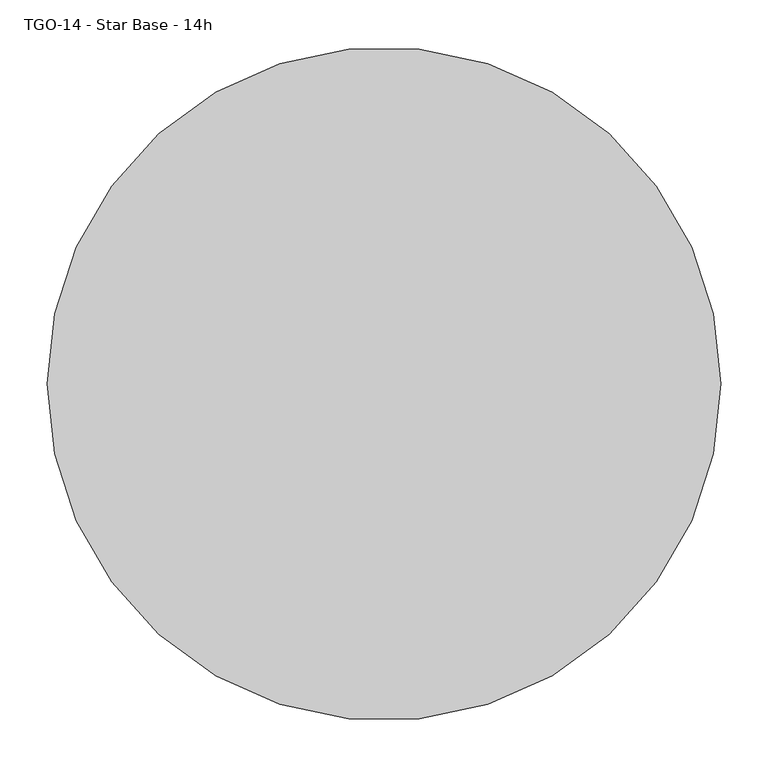
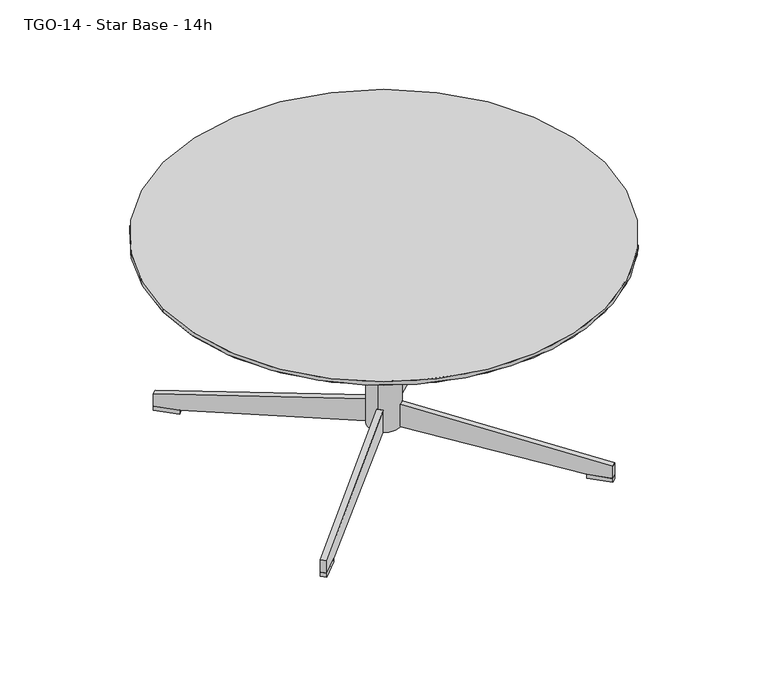
"""IFC4 building model written with IfcOpenShell, lengths in millimetres: furniture geometry, TGO-14 - Star Base - 14h."""

import ifcopenshell
import ifcopenshell.guid

model = None  # the IFC model being written
_history = None  # IfcOwnerHistory: only IFC2X3 demands one
_inside = {}  # id of a spatial element -> (the spatial element, [elements in it])
_under = {}  # id of a project, library or spatial element -> (it, [spatial elements below it])
_declared = {}  # id of a project -> (the project, [libraries it declares])
_typed = {}  # id of a type object -> (the type object, [elements of that type])
_made_of = {}  # id of a material, layer set ... -> (it, [elements and type objects made of it])


def new_model(schema):
    """Start an empty IFC model of exactly this schema.

    Asked for "IFC4X3", IfcOpenShell would pick the latest addendum, in which some entities
    have other attributes; the version numbers below select the first issue.
    IFC2X3 requires an IfcOwnerHistory on every rooted entity: one is made here for all.
    """
    global model, _history
    if schema == "IFC4X3":
        model = ifcopenshell.file(schema_version=(4, 3, 0, 0))
    else:
        model = ifcopenshell.file(schema=schema)
    _inside.clear()
    _under.clear()
    _declared.clear()
    _typed.clear()
    _made_of.clear()
    _history = None
    if model.schema == "IFC2X3":
        org = make("IfcOrganization", Name="unknown")
        user = make(
            "IfcPersonAndOrganization",
            ThePerson=make("IfcPerson", FamilyName="unknown"),
            TheOrganization=org,
        )
        app = make(
            "IfcApplication",
            ApplicationDeveloper=org,
            Version="unknown",
            ApplicationFullName="unknown",
            ApplicationIdentifier="unknown",
        )
        _history = make(
            "IfcOwnerHistory",
            OwningUser=user,
            OwningApplication=app,
            ChangeAction="ADDED",
            CreationDate=0,
        )
    return model


def make(cls, **values):
    """One entity of the class cls with the attributes given. An attribute that is None is left unset."""
    return model.create_entity(
        cls, **{name: value for name, value in values.items() if value is not None}
    )


def rooted(cls, **values):
    """An entity with a GlobalId (a new one), such as an element, a storey or a relation."""
    return make(cls, GlobalId=ifcopenshell.guid.new(), OwnerHistory=_history, **values)


def si_unit(unit_type, name, prefix=None):
    """IfcSIUnit, for example si_unit("LENGTHUNIT", "METRE", prefix="MILLI")."""
    return make("IfcSIUnit", UnitType=unit_type, Prefix=prefix, Name=name)


def assignment(units):
    """IfcUnitAssignment: the units of a project."""
    return None if units is None else make("IfcUnitAssignment", Units=units)


def point(xyz):
    """IfcCartesianPoint."""
    return None if xyz is None else make("IfcCartesianPoint", Coordinates=xyz)


def direction(xyz):
    """IfcDirection."""
    return None if xyz is None else make("IfcDirection", DirectionRatios=xyz)


def frame(location, z_axis=None, x_axis=None):
    """IfcAxis2Placement3D, a coordinate frame: its origin and axes. An axis left out is left unset."""
    return make(
        "IfcAxis2Placement3D",
        Location=point(location),
        Axis=direction(z_axis),
        RefDirection=direction(x_axis),
    )


def frame_2d(location, x_axis=None):
    """IfcAxis2Placement2D, a coordinate frame in the plane: its origin and x axis."""
    return make(
        "IfcAxis2Placement2D", Location=point(location), RefDirection=direction(x_axis)
    )


def origin():
    """The frame at (0, 0, 0) with its axes left unset."""
    return frame((0.0, 0.0, 0.0))


def origin_with_axes():
    """The frame at (0, 0, 0) with the z axis (0, 0, 1) and the x axis (1, 0, 0) written out."""
    return frame((0.0, 0.0, 0.0), z_axis=(0.0, 0.0, 1.0), x_axis=(1.0, 0.0, 0.0))


def origin_2d():
    """The frame at (0, 0) in the plane with its x axis left unset."""
    return frame_2d((0.0, 0.0))


def place(relative_to, where):
    """IfcLocalPlacement: puts the frame where relative to a parent placement (None: the world)."""
    return make(
        "IfcLocalPlacement", PlacementRelTo=relative_to, RelativePlacement=where
    )


def context(
    kind, dimensions, precision=None, world=None, true_north=None, identifier=None
):
    """IfcGeometricRepresentationContext, for example the 3D "Model" context."""
    return make(
        "IfcGeometricRepresentationContext",
        ContextIdentifier=identifier,
        ContextType=kind,
        CoordinateSpaceDimension=dimensions,
        Precision=precision,
        WorldCoordinateSystem=world,
        TrueNorth=true_north,
    )


def project(units=None, contexts=None):
    """IfcProject with its units and contexts."""
    return rooted(
        "IfcProject",
        Name="project",
        RepresentationContexts=contexts,
        UnitsInContext=assignment(units),
    )


def spatial(cls, under=None, at=None, **own):
    """A site, building, storey or space (cls), placed at a placement, below another one or the project."""
    s = rooted(cls, ObjectPlacement=at, **own)
    if under is not None:
        _under.setdefault(under.id(), (under, []))[1].append(s)
    return s


def polyline(points):
    """IfcPolyline through the points."""
    return make("IfcPolyline", Points=[point(p) for p in points])


def circle_curve(where, radius):
    """IfcCircle in the frame where."""
    return make("IfcCircle", Position=where, Radius=radius)


def trimmed(basis, trim1, trim2, sense, master):
    """IfcTrimmedCurve: the piece of a basis curve between two trims."""
    return make(
        "IfcTrimmedCurve",
        BasisCurve=basis,
        Trim1=trim1,
        Trim2=trim2,
        SenseAgreement=sense,
        MasterRepresentation=master,
    )


def segment(curve, same_sense, transition):
    """IfcCompositeCurveSegment."""
    return make(
        "IfcCompositeCurveSegment",
        Transition=transition,
        SameSense=same_sense,
        ParentCurve=curve,
    )


def composite_curve(segments, self_intersect=None):
    """IfcCompositeCurve: segments joined end to end."""
    return make("IfcCompositeCurve", Segments=segments, SelfIntersect=self_intersect)


def outline(outer, holes=None, kind="AREA"):
    """IfcArbitraryClosedProfileDef: a profile drawn as a closed curve; with holes, ...WithVoids."""
    if holes is None:
        return make("IfcArbitraryClosedProfileDef", ProfileType=kind, OuterCurve=outer)
    return make(
        "IfcArbitraryProfileDefWithVoids",
        ProfileType=kind,
        OuterCurve=outer,
        InnerCurves=holes,
    )


def extrude(swept, where, along, depth):
    """IfcExtrudedAreaSolid: the profile swept, set in the frame where, extruded along a direction by depth."""
    return make(
        "IfcExtrudedAreaSolid",
        SweptArea=swept,
        Position=where,
        ExtrudedDirection=direction(along),
        Depth=depth,
    )


def shape(context_of_items, identifier, shape_type, items):
    """IfcShapeRepresentation: the items that make up one representation, for example the "Body"."""
    return make(
        "IfcShapeRepresentation",
        ContextOfItems=context_of_items,
        RepresentationIdentifier=identifier,
        RepresentationType=shape_type,
        Items=items,
    )


def source(mapping_origin, context_of_items, identifier, shape_type, items):
    """IfcRepresentationMap: a shape defined once, which mapped items show again and again."""
    return make(
        "IfcRepresentationMap",
        MappingOrigin=mapping_origin,
        MappedRepresentation=shape(context_of_items, identifier, shape_type, items),
    )


def transform(
    local_origin,
    x_axis=None,
    y_axis=None,
    z_axis=None,
    scale=None,
    scale2=None,
    scale3=None,
    uniform=True,
):
    """IfcCartesianTransformationOperator3D, or its non-uniform kind. x_axis, y_axis, z_axis: its Axis1, 2, 3."""
    if uniform:
        return make(
            "IfcCartesianTransformationOperator3D",
            Axis1=direction(x_axis),
            Axis2=direction(y_axis),
            LocalOrigin=point(local_origin),
            Scale=scale,
            Axis3=direction(z_axis),
        )
    return make(
        "IfcCartesianTransformationOperator3DnonUniform",
        Axis1=direction(x_axis),
        Axis2=direction(y_axis),
        LocalOrigin=point(local_origin),
        Scale=scale,
        Axis3=direction(z_axis),
        Scale2=scale2,
        Scale3=scale3,
    )


def mapped(mapping_source, mapping_target):
    """IfcMappedItem: shows the shape of a source again, moved by a transform."""
    return make(
        "IfcMappedItem", MappingSource=mapping_source, MappingTarget=mapping_target
    )


def made_of(thing, what):
    """Note that an element or type object is made of a material, layer set ...; save() writes the relation."""
    if what is not None:
        _made_of.setdefault(what.id(), (what, []))[1].append(thing)
    return thing


def element(
    cls,
    number,
    at=None,
    inside=None,
    cuts=None,
    type_object=None,
    material=None,
    context=None,
    identifier="Body",
    shape_type=None,
    held_by="IfcProductDefinitionShape",
    body=None,
    shapes=None,
    **own,
):
    """One element of the class cls, such as IfcWall. Its Tag is "e" and its number.

    at: its placement. inside: the storey or other place that contains it. cuts: it is an
    opening in that element (IfcRelVoidsElement). A single representation is given by context,
    identifier, shape_type and body (its items); several are given by shapes. held_by: the class
    of the entity that holds the representations. save() writes the other relations.
    """
    e = rooted(cls, Tag="e%d" % number, ObjectPlacement=at, **own)
    if body is not None:
        shapes = [shape(context, identifier, shape_type, body)]
    if shapes is not None:
        e.Representation = make(held_by, Representations=shapes)
    if inside is not None:
        _inside.setdefault(inside.id(), (inside, []))[1].append(e)
    if cuts is not None:
        rooted(
            "IfcRelVoidsElement", RelatingBuildingElement=cuts, RelatedOpeningElement=e
        )
    if type_object is not None:
        _typed.setdefault(type_object.id(), (type_object, []))[1].append(e)
    return made_of(e, material)


def aggregate(whole, parts):
    """IfcRelAggregates: a whole, such as a stair, and the parts it consists of."""
    return rooted("IfcRelAggregates", RelatingObject=whole, RelatedObjects=parts)


def save(model, path):
    """Write the relations noted so far, then the file.

    IfcRelAggregates (storeys below a building ...), IfcRelContainedInSpatialStructure (elements
    in a storey), IfcRelDefinesByType, IfcRelAssociatesMaterial and IfcRelDeclares: one each for
    every whole, place, type object, material and project.
    """
    for whole, parts in _under.values():
        aggregate(whole, parts)
    for where, things in _inside.values():
        rooted(
            "IfcRelContainedInSpatialStructure",
            RelatedElements=things,
            RelatingStructure=where,
        )
    for kind, things in _typed.values():
        rooted("IfcRelDefinesByType", RelatedObjects=things, RelatingType=kind)
    for what, things in _made_of.values():
        rooted("IfcRelAssociatesMaterial", RelatedObjects=things, RelatingMaterial=what)
    for by, libraries in _declared.values():
        rooted("IfcRelDeclares", RelatingContext=by, RelatedDefinitions=libraries)
    model.write(path)


def plane_surface(at):
    """IfcPlane: the flat surface through the origin of the frame at, square to its z axis."""
    return make("IfcPlane", Position=at)


def revolved_surface(curve, axis_point, axis_direction):
    """IfcSurfaceOfRevolution: the curve turned about the line through axis_point along axis_direction."""
    return make(
        "IfcSurfaceOfRevolution",
        SweptCurve=make("IfcArbitraryOpenProfileDef", ProfileType="CURVE", Curve=curve),
        AxisPosition=make("IfcAxis1Placement", Location=point(axis_point), Axis=direction(axis_direction)),
    )


def advanced_brep(points, edges, surfaces, faces):
    """IfcAdvancedBrep: a solid bounded by faces that lie on surfaces and meet in shared edges.

    An edge is (start, end): straight between two places in points (the first is 0);
    or (start, end, curve); or (start, end, curve, False) where it runs against its curve.
    A face is (place in surfaces, loops), or (place, loops, False) where it looks against
    its surface's normal. A loop lists edges by number (the first is 1), with a minus sign
    where the edge is run from its end to its start. The first loop is the outer one.
    """
    corners = [point(p) for p in points]
    vertices = [make("IfcVertexPoint", VertexGeometry=c) for c in corners]
    made = []
    for start, end, *more in edges:
        made.append(
            make(
                "IfcEdgeCurve",
                EdgeStart=vertices[start],
                EdgeEnd=vertices[end],
                EdgeGeometry=more[0] if more else make("IfcPolyline", Points=[corners[start], corners[end]]),
                SameSense=more[1] if len(more) > 1 else True,
            )
        )
    hull = []
    for where, loops, *sense in faces:
        bounds = []
        for j, loop in enumerate(loops):
            ring = [make("IfcOrientedEdge", EdgeElement=made[abs(k) - 1], Orientation=k > 0) for k in loop]
            bounds.append(
                make(
                    "IfcFaceOuterBound" if j == 0 else "IfcFaceBound",
                    Bound=make("IfcEdgeLoop", EdgeList=ring),
                    Orientation=True,
                )
            )
        hull.append(make("IfcAdvancedFace", Bounds=bounds, FaceSurface=surfaces[where], SameSense=sense[0] if sense else True))
    return make("IfcAdvancedBrep", Outer=make("IfcClosedShell", CfsFaces=hull))


def tgo_14_star_base_14h_f237e9fe(model_context):
    return source(origin(), model_context, "Body", "SolidModel", [
        advanced_brep(
        [(-355.599986, 0.0, 349.25), (355.599986, 0.0, 349.25), (-317.499986, 0.0, 336.55), (317.499986, 0.0, 336.55)],
        [
            (0, 1, circle_curve(frame((0.0, 0.0, 349.25), z_axis=(0.0, 0.0, 1.0), x_axis=(-1.0, 0.0, 0.0)), 355.599986)),
            (1, 0, circle_curve(frame((0.0, 0.0, 349.25), z_axis=(0.0, 0.0, 1.0), x_axis=(1.0, 0.0, 0.0)), 355.599986)),
            (2, 3, circle_curve(frame((0.0, 0.0, 336.55), z_axis=(0.0, 0.0, -1.0), x_axis=(1.0, 0.0, 0.0)), 317.499986)),
            (3, 2, circle_curve(frame((0.0, 0.0, 336.55), z_axis=(0.0, 0.0, -1.0), x_axis=(-1.0, 0.0, 0.0)), 317.499986)),
            (3, 1),
            (0, 2),
        ],
        [
            plane_surface(frame((0.0, 0.0, 349.25), z_axis=(0.0, 0.0, 1.0), x_axis=(0.0, -1.0, 0.0))),
            plane_surface(frame((0.0, 0.0, 336.55), z_axis=(0.0, 0.0, -1.0), x_axis=(0.0, -1.0, 0.0))),
            revolved_surface(polyline([(317.49998601071434, 0.0, 336.55), (355.599986, 0.0, 349.25)]), (0.0, 0.0, 230.7166713), (0.0, 0.0, 1.0)),
            revolved_surface(polyline([(-317.49998601071434, 0.0, 336.55), (-355.599986, 0.0, 349.25)]), (0.0, 0.0, 230.7166713), (0.0, 0.0, 1.0)),
        ],
        [
            (0, [[1, 2]]),
            (1, [[3, 4]]),
            (2, [[-4, 5, -1, 6]]),
            (3, [[-3, -6, -2, -5]]),
        ],
    ),
        extrude(outline(composite_curve([segment(trimmed(circle_curve(origin_2d(), 355.599986), [point((-355.599986, 0.0))], [point((355.599986, 0.0))], False, "CARTESIAN"), True, "CONTINUOUS"), segment(trimmed(circle_curve(origin_2d(), 355.599986), [point((355.599986, 0.0))], [point((-355.599986, 0.0))], False, "CARTESIAN"), True, "CONTINUOUS")], self_intersect=False)), frame((0.0, 0.0, 349.25), z_axis=(0.0, 0.0, 1.0), x_axis=(1.0, 0.0, 0.0)), (0.0, 0.0, 1.0), 6.35),
        extrude(outline(polyline([(210.2139553, -206.0355246), (237.0440442, -233.0865195), (230.3720636, -239.704015), (203.5419746, -212.6530201), (210.2139553, -206.0355246)])), origin_with_axes(), (0.0, 0.0, 1.0), 6.343172),
        extrude(outline(polyline([(38.1, 0.0), (38.1, -6.433949), (69.6540333, -275.4090291), (69.6540333, -313.5090291), (48.6517885, -313.5090291), (-0.0046782, -6.1869692), (-0.0046782, 0.0), (38.1, 0.0)])), frame((9.5984379, -17.112646, 75.9972053), z_axis=(0.7099998669765681, 0.7042018097770382, 0.0), x_axis=(0.0, 0.0, -1.0)), (0.0, 0.0, 1.0), 9.3971577),
        extrude(outline(polyline([(237.0440442, 233.0865195), (210.2139553, 206.0355246), (203.5419746, 212.6530201), (230.3720636, 239.704015), (237.0440442, 233.0865195)])), origin_with_axes(), (0.0, 0.0, 1.0), 6.343172),
        extrude(outline(polyline([(0.0, 0.0), (6.433949, 0.0), (275.4090291, 31.5540333), (313.509029, 31.5540333), (313.509029, 10.5517885), (6.1869691, -38.1046782), (0.0, -38.1046782), (0.0, 0.0)])), frame((16.2704186, 10.4951506, 37.8972053), z_axis=(-0.7099998669765681, 0.7042018097770381, 0.0), x_axis=(0.7042018097770381, 0.7099998669765681, 0.0)), (0.0, 0.0, 1.0), 9.3971577),
        extrude(outline(polyline([(-210.2139553, 206.0355246), (-237.0440442, 233.0865195), (-230.3720636, 239.704015), (-203.5419746, 212.6530201), (-210.2139553, 206.0355246)])), origin_with_axes(), (0.0, 0.0, 1.0), 6.343172),
        extrude(outline(polyline([(-38.1, 0.0), (0.0046782, 0.0), (0.0046782, -6.1869691), (-48.6517885, -313.509029), (-69.6540333, -313.509029), (-69.6540333, -275.4090291), (-38.1, -6.433949), (-38.1, 0.0)])), frame((-16.2704186, 10.4951506, 75.9972053), z_axis=(0.7099998669765681, 0.7042018097770382, 0.0), x_axis=(0.0, 0.0, 1.0)), (0.0, 0.0, 1.0), 9.3971577),
        extrude(outline(polyline([(-237.0440442, -233.0865195), (-210.2139553, -206.0355246), (-203.5419746, -212.6530201), (-230.3720636, -239.704015), (-237.0440442, -233.0865195)])), origin_with_axes(), (0.0, 0.0, 1.0), 6.343172),
        extrude(outline(polyline([(0.0, 0.0), (0.0, -38.1046782), (-6.1869692, -38.1046782), (-313.5090291, 10.5517885), (-313.5090291, 31.5540333), (-275.4090291, 31.5540333), (-6.433949, 0.0), (0.0, 0.0)])), frame((-9.5984379, -17.112646, 37.8972053), z_axis=(-0.709999866976568, 0.7042018097770381, 0.0), x_axis=(0.7042018097770381, 0.709999866976568, 0.0)), (0.0, 0.0, 1.0), 9.3971577),
        extrude(outline(composite_curve([segment(trimmed(circle_curve(frame_2d((0.0882128, 0.0)), 25.430865), [point((-19.1047046, -16.6841486))], [point((19.2811302, 16.6841486))], False, "CARTESIAN"), True, "CONTINUOUS"), segment(trimmed(circle_curve(frame_2d((0.0882128, 0.0)), 25.430865), [point((19.2811302, 16.6841486))], [point((-19.1047046, -16.6841486))], False, "CARTESIAN"), True, "CONTINUOUS")], self_intersect=False)), frame((0.0, 0.0, 37.8760388), z_axis=(0.0, 0.0, 1.0), x_axis=(1.0, 0.0, 0.0)), (0.0, 0.0, 1.0), 298.6739612),
    ])


if __name__ == "__main__":
    model = new_model("IFC4")
    model_context = context("Model", 3, world=origin())
    ifc_project = project(units=[si_unit("LENGTHUNIT", "METRE", prefix="MILLI")], contexts=[model_context])
    site = spatial("IfcSite", under=ifc_project)
    building = spatial("IfcBuilding", under=site)
    placement = place(None, origin())
    tgo_14_star_base_14h_shape = tgo_14_star_base_14h_f237e9fe(model_context)
    element("IfcFurniture", 1, ObjectType="TGO-14 - Star Base - 14h", at=placement, inside=building, context=model_context, shape_type="MappedRepresentation", body=[
        mapped(tgo_14_star_base_14h_shape, transform((0.0, 0.0, 0.0), x_axis=(1.0, 0.0, 0.0), y_axis=(0.0, 1.0, 0.0), z_axis=(0.0, 0.0, 1.0))),
    ])
    save(model, "model.ifc")
